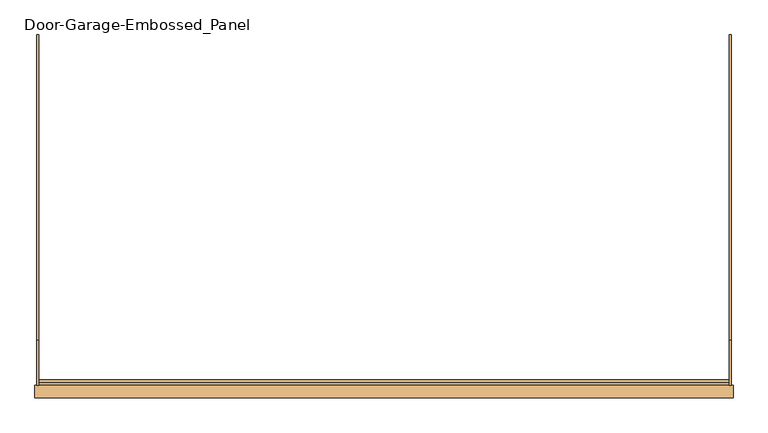
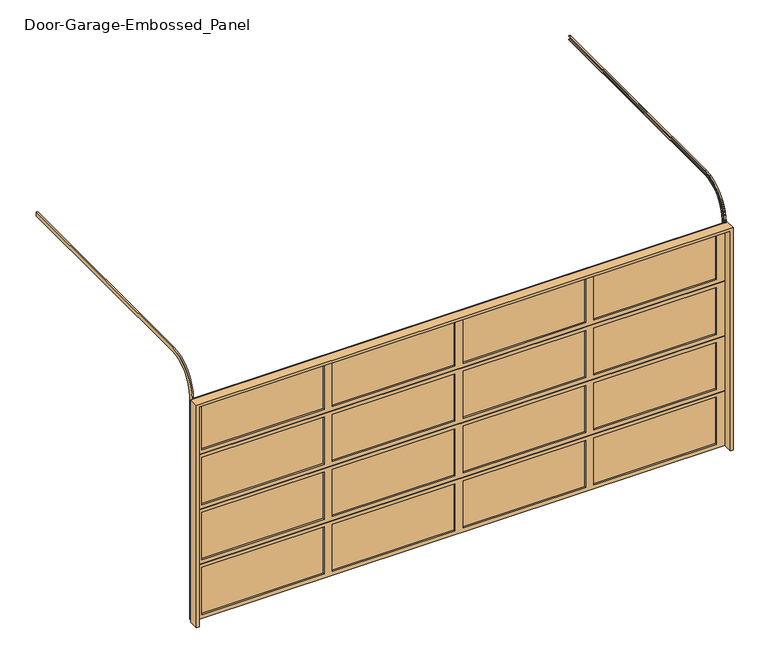
"""IFC4 building model written with IfcOpenShell, lengths in millimetres: door geometry, Door-Garage-Embossed_Panel."""

from ifc_helpers import new_model, si_unit, frame, origin, place, context, project, spatial, polyline, circle_curve, outline, extrude, faceted_brep, source, transform, mapped, element, save
from ifc_brep_helpers import plane_surface, cylinder_surface, revolved_surface, advanced_brep


def door_garage_embossed_panel_b297937d(model_context):
    return source(origin(), model_context, "Body", "SolidModel", [
        extrude(outline(polyline([(1162.05, 63.5), (38.1, 63.5), (38.1, 69.85), (1162.05, 69.85), (1162.05, 63.5)])), frame((0.0, 0.0, 1638.3), z_axis=(0.0, 0.0, 1.0), x_axis=(1.0, 0.0, 0.0)), (0.0, 0.0, 1.0), 457.2),
        extrude(outline(polyline([(-38.1, 63.5), (-1162.05, 63.5), (-1162.05, 69.85), (-38.1, 69.85), (-38.1, 63.5)])), frame((0.0, 0.0, 1638.3), z_axis=(0.0, 0.0, 1.0), x_axis=(1.0, 0.0, 0.0)), (0.0, 0.0, 1.0), 457.2),
        extrude(outline(polyline([(2362.2, 63.5), (1238.25, 63.5), (1238.25, 69.85), (2362.2, 69.85), (2362.2, 63.5)])), frame((0.0, 0.0, 1638.3), z_axis=(0.0, 0.0, 1.0), x_axis=(1.0, 0.0, 0.0)), (0.0, 0.0, 1.0), 457.2),
        extrude(outline(polyline([(-1238.25, 63.5), (-2362.2, 63.5), (-2362.2, 69.85), (-1238.25, 69.85), (-1238.25, 63.5)])), frame((0.0, 0.0, 1638.3), z_axis=(0.0, 0.0, 1.0), x_axis=(1.0, 0.0, 0.0)), (0.0, 0.0, 1.0), 457.2),
        faceted_brep([(2438.4, 69.85, 2136.775), (2438.4, 69.85, 2130.425), (2438.4, 47.625, 2130.425), (2438.4, 47.625, 1600.2), (2438.4, 63.5, 1600.2), (2438.4, 63.5, 1606.55), (2438.4, 85.725, 1606.55), (2438.4, 85.725, 2136.775), (-2438.4, 85.725, 2136.775), (-2438.4, 85.725, 1606.55), (-2438.4, 63.5, 1606.55), (-2438.4, 63.5, 1600.2), (-2438.4, 47.625, 1600.2), (-2438.4, 47.625, 2130.425), (-2438.4, 69.85, 2130.425), (-2438.4, 69.85, 2136.775), (1238.25, 85.725, 2095.5), (1238.25, 85.725, 1638.3), (2362.2, 85.725, 1638.3), (2362.2, 85.725, 2095.5), (-1162.05, 85.725, 2095.5), (-1162.05, 85.725, 1638.3), (-38.1, 85.725, 1638.3), (-38.1, 85.725, 2095.5), (38.1, 85.725, 2095.5), (38.1, 85.725, 1638.3), (1162.05, 85.725, 1638.3), (1162.05, 85.725, 2095.5), (-2362.2, 85.725, 2095.5), (-2362.2, 85.725, 1638.3), (-1238.25, 85.725, 1638.3), (-1238.25, 85.725, 2095.5), (2362.2, 47.625, 2095.5), (2362.2, 47.625, 1638.3), (1238.25, 47.625, 1638.3), (1238.25, 47.625, 2095.5), (-38.1, 47.625, 2095.5), (-38.1, 47.625, 1638.3), (-1162.05, 47.625, 1638.3), (-1162.05, 47.625, 2095.5), (1162.05, 47.625, 2095.5), (1162.05, 47.625, 1638.3), (38.1, 47.625, 1638.3), (38.1, 47.625, 2095.5), (-1238.25, 47.625, 2095.5), (-1238.25, 47.625, 1638.3), (-2362.2, 47.625, 1638.3), (-2362.2, 47.625, 2095.5)], [[[0, 1, 2, 3, 4, 5, 6, 7]], [[8, 9, 10, 11, 12, 13, 14, 15]], [[7, 8, 15, 0]], [[6, 9, 8, 7], [16, 17, 18, 19], [20, 21, 22, 23], [24, 25, 26, 27], [28, 29, 30, 31]], [[5, 10, 9, 6]], [[4, 11, 10, 5]], [[3, 12, 11, 4]], [[2, 13, 12, 3], [32, 33, 34, 35], [36, 37, 38, 39], [40, 41, 42, 43], [44, 45, 46, 47]], [[1, 14, 13, 2]], [[0, 15, 14, 1]], [[16, 19, 32, 35]], [[35, 34, 17, 16]], [[34, 33, 18, 17]], [[19, 18, 33, 32]], [[20, 23, 36, 39]], [[39, 38, 21, 20]], [[38, 37, 22, 21]], [[23, 22, 37, 36]], [[24, 27, 40, 43]], [[43, 42, 25, 24]], [[42, 41, 26, 25]], [[27, 26, 41, 40]], [[28, 31, 44, 47]], [[47, 46, 29, 28]], [[46, 45, 30, 29]], [[31, 30, 45, 44]]]),
        extrude(outline(polyline([(1162.05, 63.5), (38.1, 63.5), (38.1, 69.85), (1162.05, 69.85), (1162.05, 63.5)])), frame((0.0, 0.0, 1104.9), z_axis=(0.0, 0.0, 1.0), x_axis=(1.0, 0.0, 0.0)), (0.0, 0.0, 1.0), 457.2),
        extrude(outline(polyline([(-38.1, 63.5), (-1162.05, 63.5), (-1162.05, 69.85), (-38.1, 69.85), (-38.1, 63.5)])), frame((0.0, 0.0, 1104.9), z_axis=(0.0, 0.0, 1.0), x_axis=(1.0, 0.0, 0.0)), (0.0, 0.0, 1.0), 457.2),
        extrude(outline(polyline([(2362.2, 63.5), (1238.25, 63.5), (1238.25, 69.85), (2362.2, 69.85), (2362.2, 63.5)])), frame((0.0, 0.0, 1104.9), z_axis=(0.0, 0.0, 1.0), x_axis=(1.0, 0.0, 0.0)), (0.0, 0.0, 1.0), 457.2),
        extrude(outline(polyline([(-1238.25, 63.5), (-2362.2, 63.5), (-2362.2, 69.85), (-1238.25, 69.85), (-1238.25, 63.5)])), frame((0.0, 0.0, 1104.9), z_axis=(0.0, 0.0, 1.0), x_axis=(1.0, 0.0, 0.0)), (0.0, 0.0, 1.0), 457.2),
        faceted_brep([(2438.4, 69.85, 1603.375), (2438.4, 69.85, 1597.025), (2438.4, 47.625, 1597.025), (2438.4, 47.625, 1066.8), (2438.4, 63.5, 1066.8), (2438.4, 63.5, 1073.15), (2438.4, 85.725, 1073.15), (2438.4, 85.725, 1603.375), (-2438.4, 85.725, 1603.375), (-2438.4, 85.725, 1073.15), (-2438.4, 63.5, 1073.15), (-2438.4, 63.5, 1066.8), (-2438.4, 47.625, 1066.8), (-2438.4, 47.625, 1597.025), (-2438.4, 69.85, 1597.025), (-2438.4, 69.85, 1603.375), (1238.25, 85.725, 1562.1), (1238.25, 85.725, 1104.9), (2362.2, 85.725, 1104.9), (2362.2, 85.725, 1562.1), (-1162.05, 85.725, 1562.1), (-1162.05, 85.725, 1104.9), (-38.1, 85.725, 1104.9), (-38.1, 85.725, 1562.1), (38.1, 85.725, 1562.1), (38.1, 85.725, 1104.9), (1162.05, 85.725, 1104.9), (1162.05, 85.725, 1562.1), (-2362.2, 85.725, 1562.1), (-2362.2, 85.725, 1104.9), (-1238.25, 85.725, 1104.9), (-1238.25, 85.725, 1562.1), (2362.2, 47.625, 1562.1), (2362.2, 47.625, 1104.9), (1238.25, 47.625, 1104.9), (1238.25, 47.625, 1562.1), (-38.1, 47.625, 1562.1), (-38.1, 47.625, 1104.9), (-1162.05, 47.625, 1104.9), (-1162.05, 47.625, 1562.1), (1162.05, 47.625, 1562.1), (1162.05, 47.625, 1104.9), (38.1, 47.625, 1104.9), (38.1, 47.625, 1562.1), (-1238.25, 47.625, 1562.1), (-1238.25, 47.625, 1104.9), (-2362.2, 47.625, 1104.9), (-2362.2, 47.625, 1562.1)], [[[0, 1, 2, 3, 4, 5, 6, 7]], [[8, 9, 10, 11, 12, 13, 14, 15]], [[7, 8, 15, 0]], [[6, 9, 8, 7], [16, 17, 18, 19], [20, 21, 22, 23], [24, 25, 26, 27], [28, 29, 30, 31]], [[5, 10, 9, 6]], [[4, 11, 10, 5]], [[3, 12, 11, 4]], [[2, 13, 12, 3], [32, 33, 34, 35], [36, 37, 38, 39], [40, 41, 42, 43], [44, 45, 46, 47]], [[1, 14, 13, 2]], [[0, 15, 14, 1]], [[16, 19, 32, 35]], [[35, 34, 17, 16]], [[34, 33, 18, 17]], [[19, 18, 33, 32]], [[20, 23, 36, 39]], [[39, 38, 21, 20]], [[38, 37, 22, 21]], [[23, 22, 37, 36]], [[24, 27, 40, 43]], [[43, 42, 25, 24]], [[42, 41, 26, 25]], [[27, 26, 41, 40]], [[28, 31, 44, 47]], [[47, 46, 29, 28]], [[46, 45, 30, 29]], [[31, 30, 45, 44]]]),
        extrude(outline(polyline([(1162.05, 63.5), (38.1, 63.5), (38.1, 69.85), (1162.05, 69.85), (1162.05, 63.5)])), frame((0.0, 0.0, 571.5), z_axis=(0.0, 0.0, 1.0), x_axis=(1.0, 0.0, 0.0)), (0.0, 0.0, 1.0), 457.2),
        extrude(outline(polyline([(-38.1, 63.5), (-1162.05, 63.5), (-1162.05, 69.85), (-38.1, 69.85), (-38.1, 63.5)])), frame((0.0, 0.0, 571.5), z_axis=(0.0, 0.0, 1.0), x_axis=(1.0, 0.0, 0.0)), (0.0, 0.0, 1.0), 457.2),
        extrude(outline(polyline([(2362.2, 63.5), (1238.25, 63.5), (1238.25, 69.85), (2362.2, 69.85), (2362.2, 63.5)])), frame((0.0, 0.0, 571.5), z_axis=(0.0, 0.0, 1.0), x_axis=(1.0, 0.0, 0.0)), (0.0, 0.0, 1.0), 457.2),
        extrude(outline(polyline([(-1238.25, 63.5), (-2362.2, 63.5), (-2362.2, 69.85), (-1238.25, 69.85), (-1238.25, 63.5)])), frame((0.0, 0.0, 571.5), z_axis=(0.0, 0.0, 1.0), x_axis=(1.0, 0.0, 0.0)), (0.0, 0.0, 1.0), 457.2),
        faceted_brep([(2438.4, 69.85, 1069.975), (2438.4, 69.85, 1063.625), (2438.4, 47.625, 1063.625), (2438.4, 47.625, 533.4), (2438.4, 63.5, 533.4), (2438.4, 63.5, 539.75), (2438.4, 85.725, 539.75), (2438.4, 85.725, 1069.975), (-2438.4, 85.725, 1069.975), (-2438.4, 85.725, 539.75), (-2438.4, 63.5, 539.75), (-2438.4, 63.5, 533.4), (-2438.4, 47.625, 533.4), (-2438.4, 47.625, 1063.625), (-2438.4, 69.85, 1063.625), (-2438.4, 69.85, 1069.975), (1238.25, 85.725, 1028.7), (1238.25, 85.725, 571.5), (2362.2, 85.725, 571.5), (2362.2, 85.725, 1028.7), (-1162.05, 85.725, 1028.7), (-1162.05, 85.725, 571.5), (-38.1, 85.725, 571.5), (-38.1, 85.725, 1028.7), (38.1, 85.725, 1028.7), (38.1, 85.725, 571.5), (1162.05, 85.725, 571.5), (1162.05, 85.725, 1028.7), (-2362.2, 85.725, 1028.7), (-2362.2, 85.725, 571.5), (-1238.25, 85.725, 571.5), (-1238.25, 85.725, 1028.7), (2362.2, 47.625, 1028.7), (2362.2, 47.625, 571.5), (1238.25, 47.625, 571.5), (1238.25, 47.625, 1028.7), (-38.1, 47.625, 1028.7), (-38.1, 47.625, 571.5), (-1162.05, 47.625, 571.5), (-1162.05, 47.625, 1028.7), (1162.05, 47.625, 1028.7), (1162.05, 47.625, 571.5), (38.1, 47.625, 571.5), (38.1, 47.625, 1028.7), (-1238.25, 47.625, 1028.7), (-1238.25, 47.625, 571.5), (-2362.2, 47.625, 571.5), (-2362.2, 47.625, 1028.7)], [[[0, 1, 2, 3, 4, 5, 6, 7]], [[8, 9, 10, 11, 12, 13, 14, 15]], [[7, 8, 15, 0]], [[6, 9, 8, 7], [16, 17, 18, 19], [20, 21, 22, 23], [24, 25, 26, 27], [28, 29, 30, 31]], [[5, 10, 9, 6]], [[4, 11, 10, 5]], [[3, 12, 11, 4]], [[2, 13, 12, 3], [32, 33, 34, 35], [36, 37, 38, 39], [40, 41, 42, 43], [44, 45, 46, 47]], [[1, 14, 13, 2]], [[0, 15, 14, 1]], [[16, 19, 32, 35]], [[35, 34, 17, 16]], [[34, 33, 18, 17]], [[19, 18, 33, 32]], [[20, 23, 36, 39]], [[39, 38, 21, 20]], [[38, 37, 22, 21]], [[23, 22, 37, 36]], [[24, 27, 40, 43]], [[43, 42, 25, 24]], [[42, 41, 26, 25]], [[27, 26, 41, 40]], [[28, 31, 44, 47]], [[47, 46, 29, 28]], [[46, 45, 30, 29]], [[31, 30, 45, 44]]]),
        extrude(outline(polyline([(1162.05, 63.5), (38.1, 63.5), (38.1, 69.85), (1162.05, 69.85), (1162.05, 63.5)])), frame((0.0, 0.0, 38.1), z_axis=(0.0, 0.0, 1.0), x_axis=(1.0, 0.0, 0.0)), (0.0, 0.0, 1.0), 457.2),
        extrude(outline(polyline([(-38.1, 63.5), (-1162.05, 63.5), (-1162.05, 69.85), (-38.1, 69.85), (-38.1, 63.5)])), frame((0.0, 0.0, 38.1), z_axis=(0.0, 0.0, 1.0), x_axis=(1.0, 0.0, 0.0)), (0.0, 0.0, 1.0), 457.2),
        extrude(outline(polyline([(2362.2, 63.5), (1238.25, 63.5), (1238.25, 69.85), (2362.2, 69.85), (2362.2, 63.5)])), frame((0.0, 0.0, 38.1), z_axis=(0.0, 0.0, 1.0), x_axis=(1.0, 0.0, 0.0)), (0.0, 0.0, 1.0), 457.2),
        extrude(outline(polyline([(-1238.25, 63.5), (-2362.2, 63.5), (-2362.2, 69.85), (-1238.25, 69.85), (-1238.25, 63.5)])), frame((0.0, 0.0, 38.1), z_axis=(0.0, 0.0, 1.0), x_axis=(1.0, 0.0, 0.0)), (0.0, 0.0, 1.0), 457.2),
        faceted_brep([(2438.4, 69.85, 536.575), (2438.4, 69.85, 530.225), (2438.4, 47.625, 530.225), (2438.4, 47.625, 0.0), (2438.4, 63.5, 0.0), (2438.4, 63.5, 6.35), (2438.4, 85.725, 6.35), (2438.4, 85.725, 536.575), (-2438.4, 85.725, 536.575), (-2438.4, 85.725, 6.35), (-2438.4, 63.5, 6.35), (-2438.4, 63.5, 0.0), (-2438.4, 47.625, 0.0), (-2438.4, 47.625, 530.225), (-2438.4, 69.85, 530.225), (-2438.4, 69.85, 536.575), (1238.25, 85.725, 495.3), (1238.25, 85.725, 38.1), (2362.2, 85.725, 38.1), (2362.2, 85.725, 495.3), (-1162.05, 85.725, 495.3), (-1162.05, 85.725, 38.1), (-38.1, 85.725, 38.1), (-38.1, 85.725, 495.3), (38.1, 85.725, 495.3), (38.1, 85.725, 38.1), (1162.05, 85.725, 38.1), (1162.05, 85.725, 495.3), (-2362.2, 85.725, 495.3), (-2362.2, 85.725, 38.1), (-1238.25, 85.725, 38.1), (-1238.25, 85.725, 495.3), (2362.2, 47.625, 495.3), (2362.2, 47.625, 38.1), (1238.25, 47.625, 38.1), (1238.25, 47.625, 495.3), (-38.1, 47.625, 495.3), (-38.1, 47.625, 38.1), (-1162.05, 47.625, 38.1), (-1162.05, 47.625, 495.3), (1162.05, 47.625, 495.3), (1162.05, 47.625, 38.1), (38.1, 47.625, 38.1), (38.1, 47.625, 495.3), (-1238.25, 47.625, 495.3), (-1238.25, 47.625, 38.1), (-2362.2, 47.625, 38.1), (-2362.2, 47.625, 495.3)], [[[0, 1, 2, 3, 4, 5, 6, 7]], [[8, 9, 10, 11, 12, 13, 14, 15]], [[7, 8, 15, 0]], [[6, 9, 8, 7], [16, 17, 18, 19], [20, 21, 22, 23], [24, 25, 26, 27], [28, 29, 30, 31]], [[5, 10, 9, 6]], [[4, 11, 10, 5]], [[3, 12, 11, 4]], [[2, 13, 12, 3], [32, 33, 34, 35], [36, 37, 38, 39], [40, 41, 42, 43], [44, 45, 46, 47]], [[1, 14, 13, 2]], [[0, 15, 14, 1]], [[16, 19, 32, 35]], [[35, 34, 17, 16]], [[34, 33, 18, 17]], [[19, 18, 33, 32]], [[20, 23, 36, 39]], [[39, 38, 21, 20]], [[38, 37, 22, 21]], [[23, 22, 37, 36]], [[24, 27, 40, 43]], [[43, 42, 25, 24]], [[42, 41, 26, 25]], [[27, 26, 41, 40]], [[28, 31, 44, 47]], [[47, 46, 29, 28]], [[46, 45, 30, 29]], [[31, 30, 45, 44]]]),
        advanced_brep(
        [(2451.1, 85.725, 0.0), (2451.1, 47.625, 0.0), (2438.4, 47.625, 0.0), (2438.4, 50.8, 0.0), (2447.925, 50.8, 0.0), (2447.925, 82.55, 0.0), (2438.4, 82.55, 0.0), (2438.4, 85.725, 0.0), (2438.4, 85.725, 2159.0), (2451.1, 85.725, 2159.0), (2438.4, 82.55, 2159.0), (2438.4, 365.125, 2441.575), (2438.4, 2524.125, 2441.575), (2438.4, 2524.125, 2438.4), (2438.4, 365.125, 2438.4), (2447.925, 82.55, 2159.0), (2447.925, 50.8, 2159.0), (2447.925, 365.125, 2473.325), (2447.925, 2524.125, 2473.325), (2447.925, 2524.125, 2441.575), (2447.925, 365.125, 2441.575), (2438.4, 50.8, 2159.0), (2438.4, 47.625, 2159.0), (2438.4, 365.125, 2476.5), (2438.4, 2524.125, 2476.5), (2438.4, 2524.125, 2473.325), (2438.4, 365.125, 2473.325), (2451.1, 47.625, 2159.0), (2451.1, 365.125, 2438.4), (2451.1, 2524.125, 2438.4), (2451.1, 2524.125, 2476.5), (2451.1, 365.125, 2476.5)],
        [
            (0, 1),
            (1, 2),
            (2, 3),
            (3, 4),
            (4, 5),
            (5, 6),
            (6, 7),
            (7, 0),
            (7, 8),
            (8, 9),
            (9, 0),
            (6, 10),
            (10, 11, circle_curve(frame((2438.4, 365.125, 2159.0), z_axis=(-1.0, 0.0, 0.0), x_axis=(0.0, -1.0, 0.0)), 282.575)),
            (11, 12),
            (12, 13),
            (13, 14),
            (14, 8, circle_curve(frame((2438.4, 365.125, 2159.0), z_axis=(1.0, 0.0, 0.0), x_axis=(0.0, -1.0, 0.0)), 279.4)),
            (5, 15),
            (15, 10),
            (4, 16),
            (16, 17, circle_curve(frame((2447.925, 365.125, 2159.0), z_axis=(-1.0, 0.0, 0.0), x_axis=(0.0, -1.0, 0.0)), 314.325)),
            (17, 18),
            (18, 19),
            (19, 20),
            (20, 15, circle_curve(frame((2447.925, 365.125, 2159.0), z_axis=(1.0, 0.0, 0.0), x_axis=(0.0, -1.0, 0.0)), 282.575)),
            (3, 21),
            (21, 16),
            (2, 22),
            (22, 23, circle_curve(frame((2438.4, 365.125, 2159.0), z_axis=(-1.0, 0.0, 0.0), x_axis=(0.0, -1.0, 0.0)), 317.5)),
            (23, 24),
            (24, 25),
            (25, 26),
            (26, 21, circle_curve(frame((2438.4, 365.125, 2159.0), z_axis=(1.0, 0.0, 0.0), x_axis=(0.0, -1.0, 0.0)), 314.325)),
            (1, 27),
            (27, 22),
            (9, 28, circle_curve(frame((2451.1, 365.125, 2159.0), z_axis=(-1.0, 0.0, 0.0), x_axis=(0.0, -1.0, 0.0)), 279.4)),
            (28, 29),
            (29, 30),
            (30, 31),
            (31, 27, circle_curve(frame((2451.1, 365.125, 2159.0), z_axis=(1.0, 0.0, 0.0), x_axis=(0.0, -1.0, 0.0)), 317.5)),
            (14, 28),
            (20, 11),
            (26, 17),
            (31, 23),
            (29, 13),
            (12, 19),
            (18, 25),
            (24, 30),
        ],
        [
            plane_surface(frame((0.0, 85.725, 0.0), z_axis=(0.0, 0.0, -1.0), x_axis=(1.0, 0.0, 0.0))),
            plane_surface(frame((2451.1, 85.725, 0.0), z_axis=(0.0, 1.0, 0.0), x_axis=(0.0, 0.0, 1.0))),
            plane_surface(frame((2438.4, 85.725, 0.0), z_axis=(-1.0, 0.0, 0.0), x_axis=(0.0, 0.0, 1.0))),
            plane_surface(frame((2438.4, 82.55, 0.0), z_axis=(0.0, -1.0, 0.0), x_axis=(0.0, 0.0, 1.0))),
            plane_surface(frame((2447.925, 82.55, 0.0), z_axis=(-1.0, 0.0, 0.0), x_axis=(0.0, 0.0, 1.0))),
            plane_surface(frame((2447.925, 50.8, 0.0), z_axis=(0.0, 1.0, 0.0), x_axis=(0.0, 0.0, 1.0))),
            plane_surface(frame((2438.4, 50.8, 0.0), z_axis=(-1.0, 0.0, 0.0), x_axis=(0.0, 0.0, 1.0))),
            plane_surface(frame((2438.4, 47.625, 0.0), z_axis=(0.0, -1.0, 0.0), x_axis=(0.0, 0.0, 1.0))),
            plane_surface(frame((2451.1, 47.625, 0.0), z_axis=(1.0, 0.0, 0.0), x_axis=(0.0, 0.0, 1.0))),
            revolved_surface(polyline([(2451.1, 85.72500000000002, 2159.0), (2438.4, 85.72500000000002, 2159.0)]), (0.0, 365.125, 2159.0), (1.0, 0.0, 0.0)),
            cylinder_surface(frame((0.0, 365.125, 2159.0), z_axis=(1.0, 0.0, 0.0), x_axis=(0.0, -1.0, 0.0)), 282.575),
            revolved_surface(polyline([(2447.925, 50.80000000000001, 2159.0), (2438.4, 50.80000000000001, 2159.0)]), (0.0, 365.125, 2159.0), (1.0, 0.0, 0.0)),
            cylinder_surface(frame((0.0, 365.125, 2159.0), z_axis=(1.0, 0.0, 0.0), x_axis=(0.0, -1.0, 0.0)), 317.5),
            plane_surface(frame((0.0, 2524.125, 2438.4), z_axis=(0.0, 1.0, 0.0), x_axis=(1.0, 0.0, 0.0))),
            plane_surface(frame((2451.1, 365.125, 2438.4), z_axis=(0.0, 0.0, -1.0), x_axis=(0.0, 1.0, 0.0))),
            plane_surface(frame((2438.4, 365.125, 2441.575), z_axis=(0.0, 0.0, 1.0), x_axis=(0.0, 1.0, 0.0))),
            plane_surface(frame((2447.925, 365.125, 2473.325), z_axis=(0.0, 0.0, -1.0), x_axis=(0.0, 1.0, 0.0))),
            plane_surface(frame((2438.4, 365.125, 2476.5), z_axis=(0.0, 0.0, 1.0), x_axis=(0.0, 1.0, 0.0))),
        ],
        [
            (0, [[1, 2, 3, 4, 5, 6, 7, 8]]),
            (1, [[9, 10, 11, -8]]),
            (2, [[12, 13, 14, 15, 16, 17, -9, -7]]),
            (3, [[18, 19, -12, -6]]),
            (4, [[20, 21, 22, 23, 24, 25, -18, -5]]),
            (5, [[26, 27, -20, -4]]),
            (6, [[28, 29, 30, 31, 32, 33, -26, -3]]),
            (7, [[34, 35, -28, -2]]),
            (8, [[-11, 36, 37, 38, 39, 40, -34, -1]]),
            (9, [[41, -36, -10, -17]]),
            (10, [[42, -13, -19, -25]]),
            (11, [[43, -21, -27, -33]]),
            (12, [[44, -29, -35, -40]]),
            (13, [[45, -15, 46, -23, 47, -31, 48, -38]]),
            (14, [[-16, -45, -37, -41]]),
            (15, [[-24, -46, -14, -42]]),
            (16, [[-32, -47, -22, -43]]),
            (17, [[-39, -48, -30, -44]]),
        ],
    ),
        advanced_brep(
        [(-2451.1, 85.725, 0.0), (-2438.4, 85.725, 0.0), (-2438.4, 82.55, 0.0), (-2447.925, 82.55, 0.0), (-2447.925, 50.8, 0.0), (-2438.4, 50.8, 0.0), (-2438.4, 47.625, 0.0), (-2451.1, 47.625, 0.0), (-2451.1, 47.625, 2159.0), (-2451.1, 365.125, 2476.5), (-2451.1, 2524.125, 2476.5), (-2451.1, 2524.125, 2438.4), (-2451.1, 365.125, 2438.4), (-2451.1, 85.725, 2159.0), (-2438.4, 47.625, 2159.0), (-2438.4, 50.8, 2159.0), (-2438.4, 365.125, 2473.325), (-2438.4, 2524.125, 2473.325), (-2438.4, 2524.125, 2476.5), (-2438.4, 365.125, 2476.5), (-2447.925, 50.8, 2159.0), (-2447.925, 82.55, 2159.0), (-2447.925, 365.125, 2441.575), (-2447.925, 2524.125, 2441.575), (-2447.925, 2524.125, 2473.325), (-2447.925, 365.125, 2473.325), (-2438.4, 82.55, 2159.0), (-2438.4, 85.725, 2159.0), (-2438.4, 365.125, 2438.4), (-2438.4, 2524.125, 2438.4), (-2438.4, 2524.125, 2441.575), (-2438.4, 365.125, 2441.575)],
        [
            (0, 1),
            (1, 2),
            (2, 3),
            (3, 4),
            (4, 5),
            (5, 6),
            (6, 7),
            (7, 0),
            (7, 8),
            (8, 9, circle_curve(frame((-2451.1, 365.125, 2159.0), z_axis=(-1.0, 0.0, 0.0), x_axis=(0.0, -1.0, 0.0)), 317.5)),
            (9, 10),
            (10, 11),
            (11, 12),
            (12, 13, circle_curve(frame((-2451.1, 365.125, 2159.0), z_axis=(1.0, 0.0, 0.0), x_axis=(0.0, -1.0, 0.0)), 279.4)),
            (13, 0),
            (6, 14),
            (14, 8),
            (5, 15),
            (15, 16, circle_curve(frame((-2438.4, 365.125, 2159.0), z_axis=(-1.0, 0.0, 0.0), x_axis=(0.0, -1.0, 0.0)), 314.325)),
            (16, 17),
            (17, 18),
            (18, 19),
            (19, 14, circle_curve(frame((-2438.4, 365.125, 2159.0), z_axis=(1.0, 0.0, 0.0), x_axis=(0.0, -1.0, 0.0)), 317.5)),
            (4, 20),
            (20, 15),
            (3, 21),
            (21, 22, circle_curve(frame((-2447.925, 365.125, 2159.0), z_axis=(-1.0, 0.0, 0.0), x_axis=(0.0, -1.0, 0.0)), 282.575)),
            (22, 23),
            (23, 24),
            (24, 25),
            (25, 20, circle_curve(frame((-2447.925, 365.125, 2159.0), z_axis=(1.0, 0.0, 0.0), x_axis=(0.0, -1.0, 0.0)), 314.325)),
            (2, 26),
            (26, 21),
            (1, 27),
            (27, 28, circle_curve(frame((-2438.4, 365.125, 2159.0), z_axis=(-1.0, 0.0, 0.0), x_axis=(0.0, -1.0, 0.0)), 279.4)),
            (28, 29),
            (29, 30),
            (30, 31),
            (31, 26, circle_curve(frame((-2438.4, 365.125, 2159.0), z_axis=(1.0, 0.0, 0.0), x_axis=(0.0, -1.0, 0.0)), 282.575)),
            (13, 27),
            (19, 9),
            (25, 16),
            (31, 22),
            (12, 28),
            (10, 18),
            (17, 24),
            (23, 30),
            (29, 11),
        ],
        [
            plane_surface(frame((0.0, 85.725, 0.0), z_axis=(0.0, 0.0, -1.0), x_axis=(1.0, 0.0, 0.0))),
            plane_surface(frame((-2451.1, 85.725, 0.0), z_axis=(-1.0, 0.0, 0.0), x_axis=(0.0, 0.0, 1.0))),
            plane_surface(frame((-2451.1, 47.625, 0.0), z_axis=(0.0, -1.0, 0.0), x_axis=(0.0, 0.0, 1.0))),
            plane_surface(frame((-2438.4, 47.625, 0.0), z_axis=(1.0, 0.0, 0.0), x_axis=(0.0, 0.0, 1.0))),
            plane_surface(frame((-2438.4, 50.8, 0.0), z_axis=(0.0, 1.0, 0.0), x_axis=(0.0, 0.0, 1.0))),
            plane_surface(frame((-2447.925, 50.8, 0.0), z_axis=(1.0, 0.0, 0.0), x_axis=(0.0, 0.0, 1.0))),
            plane_surface(frame((-2447.925, 82.55, 0.0), z_axis=(0.0, -1.0, 0.0), x_axis=(0.0, 0.0, 1.0))),
            plane_surface(frame((-2438.4, 82.55, 0.0), z_axis=(1.0, 0.0, 0.0), x_axis=(0.0, 0.0, 1.0))),
            plane_surface(frame((-2438.4, 85.725, 0.0), z_axis=(0.0, 1.0, 0.0), x_axis=(0.0, 0.0, 1.0))),
            cylinder_surface(frame((0.0, 365.125, 2159.0), z_axis=(1.0, 0.0, 0.0), x_axis=(0.0, -1.0, 0.0)), 317.5),
            revolved_surface(polyline([(-2438.4, 50.80000000000001, 2159.0), (-2447.925, 50.80000000000001, 2159.0)]), (0.0, 365.125, 2159.0), (1.0, 0.0, 0.0)),
            cylinder_surface(frame((0.0, 365.125, 2159.0), z_axis=(1.0, 0.0, 0.0), x_axis=(0.0, -1.0, 0.0)), 282.575),
            revolved_surface(polyline([(-2438.4, 85.72500000000002, 2159.0), (-2451.1, 85.72500000000002, 2159.0)]), (0.0, 365.125, 2159.0), (1.0, 0.0, 0.0)),
            plane_surface(frame((0.0, 2524.125, 2438.4), z_axis=(0.0, 1.0, 0.0), x_axis=(1.0, 0.0, 0.0))),
            plane_surface(frame((-2451.1, 365.125, 2476.5), z_axis=(0.0, 0.0, 1.0), x_axis=(0.0, 1.0, 0.0))),
            plane_surface(frame((-2438.4, 365.125, 2473.325), z_axis=(0.0, 0.0, -1.0), x_axis=(0.0, 1.0, 0.0))),
            plane_surface(frame((-2447.925, 365.125, 2441.575), z_axis=(0.0, 0.0, 1.0), x_axis=(0.0, 1.0, 0.0))),
            plane_surface(frame((-2438.4, 365.125, 2438.4), z_axis=(0.0, 0.0, -1.0), x_axis=(0.0, 1.0, 0.0))),
        ],
        [
            (0, [[1, 2, 3, 4, 5, 6, 7, 8]]),
            (1, [[9, 10, 11, 12, 13, 14, 15, -8]]),
            (2, [[16, 17, -9, -7]]),
            (3, [[18, 19, 20, 21, 22, 23, -16, -6]]),
            (4, [[24, 25, -18, -5]]),
            (5, [[26, 27, 28, 29, 30, 31, -24, -4]]),
            (6, [[32, 33, -26, -3]]),
            (7, [[34, 35, 36, 37, 38, 39, -32, -2]]),
            (8, [[-15, 40, -34, -1]]),
            (9, [[41, -10, -17, -23]]),
            (10, [[42, -19, -25, -31]]),
            (11, [[43, -27, -33, -39]]),
            (12, [[44, -35, -40, -14]]),
            (13, [[-12, 45, -21, 46, -29, 47, -37, 48]]),
            (14, [[-22, -45, -11, -41]]),
            (15, [[-30, -46, -20, -42]]),
            (16, [[-38, -47, -28, -43]]),
            (17, [[-13, -48, -36, -44]]),
        ],
    ),
        extrude(outline(polyline([(0.0, 2463.8), (2159.0, 2463.8), (2159.0, -2463.8), (0.0, -2463.8), (0.0, -2438.4), (2133.6, -2438.4), (2133.6, 2438.4), (0.0, 2438.4), (0.0, 2463.8)])), frame((0.0, -41.275, 0.0), z_axis=(0.0, 1.0, 0.0), x_axis=(0.0, 0.0, 1.0)), (0.0, 0.0, 1.0), 88.9),
    ])


if __name__ == "__main__":
    model = new_model("IFC4")
    model_context = context("Model", 3, world=origin())
    ifc_project = project(units=[si_unit("LENGTHUNIT", "METRE", prefix="MILLI")], contexts=[model_context])
    site = spatial("IfcSite", under=ifc_project)
    building = spatial("IfcBuilding", under=site)
    placement = place(None, origin())
    door_garage_embossed_panel_shape = door_garage_embossed_panel_b297937d(model_context)
    element("IfcDoor", 1, ObjectType="Door-Garage-Embossed_Panel", at=placement, inside=building, context=model_context, shape_type="MappedRepresentation", body=[
        mapped(door_garage_embossed_panel_shape, transform((0.0, 0.0, 0.0), x_axis=(1.0, 0.0, 0.0), y_axis=(0.0, 1.0, 0.0), z_axis=(0.0, 0.0, 1.0))),
    ])
    save(model, "model.ifc")
